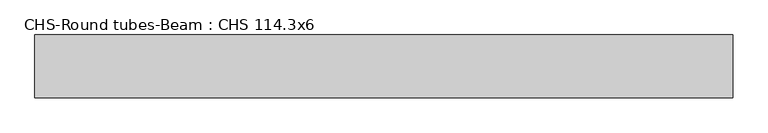
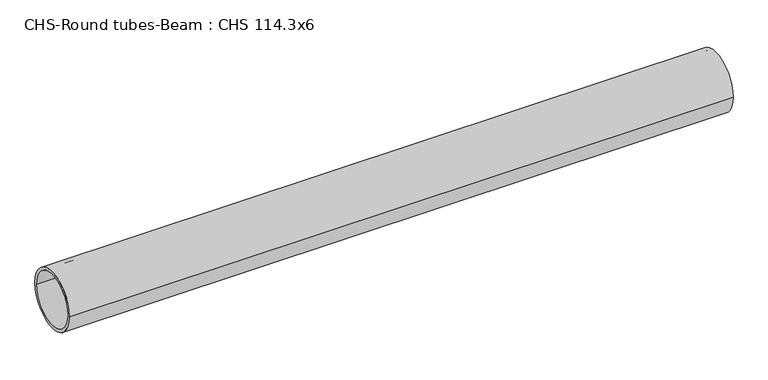
"""IFC4 building model written with IfcOpenShell, lengths in millimetres: beam geometry, CHS-Round tubes-Beam : CHS 114.3x6."""

from ifc_helpers import new_model, si_unit, point, frame, origin, origin_2d, place, context, project, spatial, circle_curve, trimmed, segment, composite_curve, outline, extrude, source, transform, mapped, element, save


def chs_round_tubes_beam_chs_114_3x6_c5a774a2(model_context):
    return source(origin(), model_context, "Body", "SweptSolid", [
        extrude(outline(composite_curve([segment(trimmed(circle_curve(origin_2d(), 57.15), [point((57.15, 0.0))], [point((-57.15, 0.0))], False, "CARTESIAN"), True, "CONTINUOUS"), segment(trimmed(circle_curve(origin_2d(), 57.15), [point((-57.15, 0.0))], [point((57.15, 0.0))], False, "CARTESIAN"), True, "CONTINUOUS")], self_intersect=False), holes=[composite_curve([segment(trimmed(circle_curve(origin_2d(), 51.15), [point((51.15, 0.0))], [point((-51.15, 0.0))], True, "CARTESIAN"), True, "CONTINUOUS"), segment(trimmed(circle_curve(origin_2d(), 51.15), [point((-51.15, 0.0))], [point((51.15, 0.0))], True, "CARTESIAN"), True, "CONTINUOUS")], self_intersect=False)]), frame((-631.8454728, 0.0, 0.0), z_axis=(1.0, 0.0, 0.0), x_axis=(0.0, 1.0, 0.0)), (0.0, 0.0, 1.0), 1271.2353245),
    ])


if __name__ == "__main__":
    model = new_model("IFC4")
    model_context = context("Model", 3, world=origin())
    ifc_project = project(units=[si_unit("LENGTHUNIT", "METRE", prefix="MILLI")], contexts=[model_context])
    site = spatial("IfcSite", under=ifc_project)
    building = spatial("IfcBuilding", under=site)
    placement = place(None, origin())
    chs_round_tubes_beam_chs_114_3x6_shape = chs_round_tubes_beam_chs_114_3x6_c5a774a2(model_context)
    element("IfcBeam", 1, ObjectType="CHS-Round tubes-Beam : CHS 114.3x6", at=placement, inside=building, context=model_context, shape_type="MappedRepresentation", body=[
        mapped(chs_round_tubes_beam_chs_114_3x6_shape, transform((0.0, 0.0, 0.0), x_axis=(1.0, 0.0, 0.0), y_axis=(0.0, 1.0, 0.0), z_axis=(0.0, 0.0, 1.0))),
    ])
    save(model, "model.ifc")
